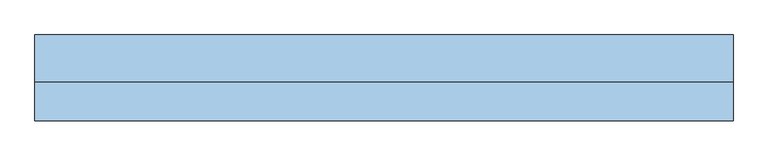
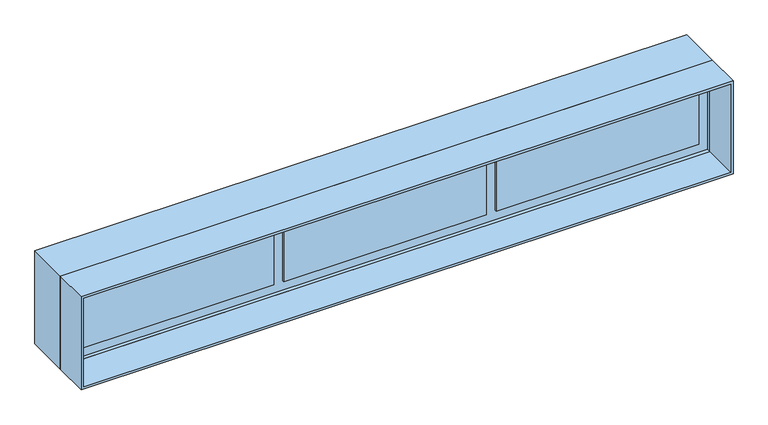
"""IFC4 building model written with IfcOpenShell, lengths in millimetres: window geometry."""

from ifc_helpers import new_model, si_unit, frame, origin, place, context, project, spatial, polyline, outline, extrude, source, transform, mapped, element, save


def window_4eda383e(model_context):
    return source(origin(), model_context, "Body", "SweptSolid", [
        extrude(outline(polyline([(-678.3333333, 115.0), (-1915.0, 115.0), (-1915.0, 145.0), (-678.3333333, 145.0), (-678.3333333, 115.0)])), frame((0.0, 0.0, 875.0), z_axis=(0.0, 0.0, 1.0), x_axis=(1.0, 0.0, 0.0)), (0.0, 0.0, 1.0), 450.0),
        extrude(outline(polyline([(618.3333333, 115.0), (-618.3333333, 115.0), (-618.3333333, 145.0), (618.3333333, 145.0), (618.3333333, 115.0)])), frame((0.0, 0.0, 875.0), z_axis=(0.0, 0.0, 1.0), x_axis=(1.0, 0.0, 0.0)), (0.0, 0.0, 1.0), 450.0),
        extrude(outline(polyline([(1915.0, 115.0), (678.3333333, 115.0), (678.3333333, 145.0), (1915.0, 145.0), (1915.0, 115.0)])), frame((0.0, 0.0, 875.0), z_axis=(0.0, 0.0, 1.0), x_axis=(1.0, 0.0, 0.0)), (0.0, 0.0, 1.0), 450.0),
        extrude(outline(polyline([(1385.0, -1975.0), (815.0, -1975.0), (815.0, 1975.0), (1385.0, 1975.0), (1385.0, -1975.0)]), holes=[polyline([(1325.0, 678.3333333), (1325.0, 1915.0), (875.0, 1915.0), (875.0, 678.3333333), (1325.0, 678.3333333)]), polyline([(1325.0, -618.3333333), (1325.0, 618.3333333), (875.0, 618.3333333), (875.0, -618.3333333), (1325.0, -618.3333333)]), polyline([(1325.0, -1915.0), (1325.0, -678.3333333), (875.0, -678.3333333), (875.0, -1915.0), (1325.0, -1915.0)])]), frame((0.0, 125.0, 0.0), z_axis=(0.0, 1.0, 0.0), x_axis=(0.0, 0.0, 1.0)), (0.0, 0.0, 1.0), 35.0),
        extrude(outline(polyline([(1400.0, 1990.0), (1400.0, -1990.0), (800.0, -1990.0), (800.0, 1990.0), (1400.0, 1990.0)]), holes=[polyline([(815.0, 1975.0), (815.0, -1975.0), (1385.0, -1975.0), (1385.0, 1975.0), (815.0, 1975.0)])]), frame((0.0, -120.0, 0.0), z_axis=(0.0, 1.0, 0.0), x_axis=(0.0, 0.0, 1.0)), (0.0, 0.0, 1.0), 220.0),
        extrude(outline(polyline([(1400.0, -1990.0), (800.0, -1990.0), (800.0, 1990.0), (1400.0, 1990.0), (1400.0, -1990.0)]), holes=[polyline([(815.0, 1975.0), (815.0, -1975.0), (1385.0, -1975.0), (1385.0, 1975.0), (815.0, 1975.0)])]), frame((0.0, 100.0, 0.0), z_axis=(0.0, 1.0, 0.0), x_axis=(0.0, 0.0, 1.0)), (0.0, 0.0, 1.0), 270.0),
    ])


if __name__ == "__main__":
    model = new_model("IFC4")
    model_context = context("Model", 3, world=origin())
    ifc_project = project(units=[si_unit("LENGTHUNIT", "METRE", prefix="MILLI")], contexts=[model_context])
    site = spatial("IfcSite", under=ifc_project)
    building = spatial("IfcBuilding", under=site)
    placement = place(None, origin())
    window_shape = window_4eda383e(model_context)
    element("IfcWindow", 1, at=placement, inside=building, context=model_context, shape_type="MappedRepresentation", body=[
        mapped(window_shape, transform((0.0, 0.0, 0.0), x_axis=(1.0, 0.0, 0.0), y_axis=(0.0, 1.0, 0.0), z_axis=(0.0, 0.0, 1.0))),
    ])
    save(model, "model.ifc")
